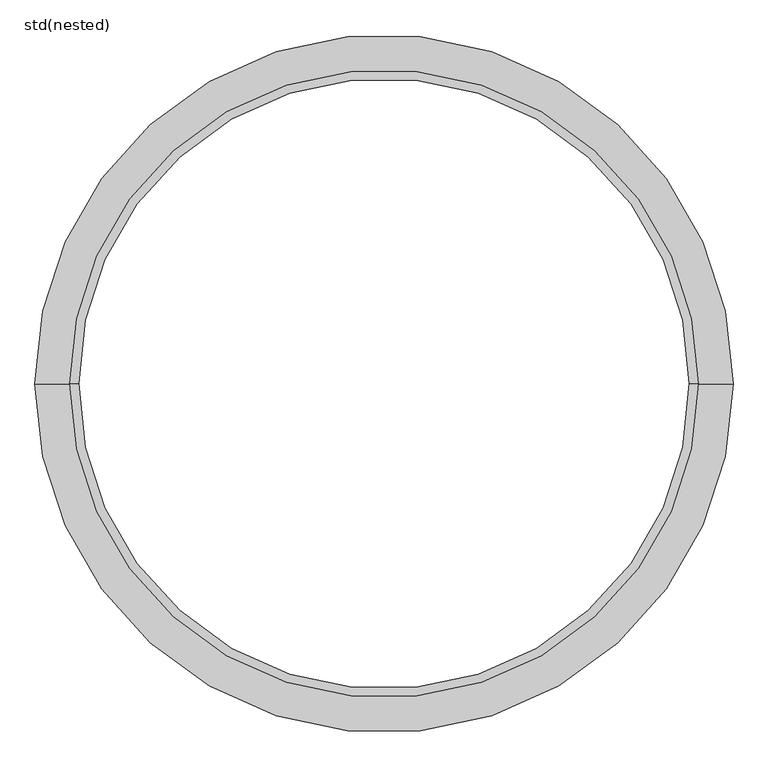
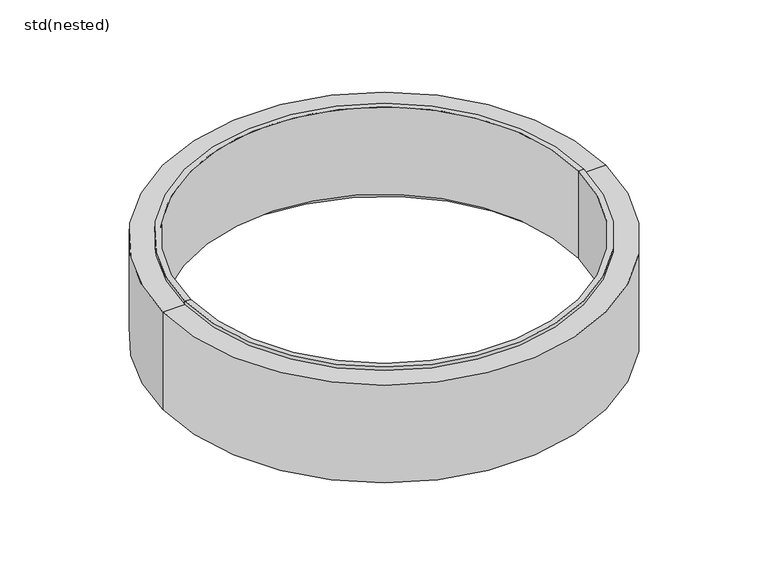
"""IFC4 building model written with IfcOpenShell, lengths in millimetres: unitary equipment geometry, std(nested)."""

from ifc_helpers import new_model, si_unit, frame, origin, place, context, project, spatial, polyline, circle_curve, source, transform, mapped, element, save
from ifc_brep_helpers import plane_surface, cylinder_surface, revolved_surface, advanced_brep


def std_nested_184108af(model_context):
    return source(origin(), model_context, "Body", "AdvancedBrep", [
        advanced_brep(
        [(1050.0, 0.0, -980.0), (-1050.0, 0.0, -980.0), (-1050.0, 0.0, -1480.0), (1050.0, 0.0, -1480.0), (1080.0, 0.0, -980.0), (-1080.0, 0.0, -980.0), (1080.0, 0.0, -1000.0), (-1080.0, 0.0, -1000.0), (1200.0, 0.0, -1000.0), (-1200.0, 0.0, -1000.0), (1200.0, 0.0, -1560.0), (-1200.0, 0.0, -1560.0), (1145.0, 0.0, -1560.0), (-1145.0, 0.0, -1560.0), (1145.0, 0.0, -1480.0), (-1145.0, 0.0, -1480.0)],
        [
            (0, 1, circle_curve(frame((0.0, 0.0, -980.0), z_axis=(0.0, 0.0, 1.0), x_axis=(-1.0, 0.0, 0.0)), 1050.0)),
            (1, 2),
            (2, 3, circle_curve(frame((0.0, 0.0, -1480.0), z_axis=(0.0, 0.0, -1.0), x_axis=(-1.0, 0.0, 0.0)), 1050.0)),
            (3, 0),
            (1, 0, circle_curve(frame((0.0, 0.0, -980.0), z_axis=(0.0, 0.0, 1.0), x_axis=(-1.0, 0.0, 0.0)), 1050.0)),
            (3, 2, circle_curve(frame((0.0, 0.0, -1480.0), z_axis=(0.0, 0.0, -1.0), x_axis=(-1.0, 0.0, 0.0)), 1050.0)),
            (4, 5, circle_curve(frame((0.0, 0.0, -980.0), z_axis=(0.0, 0.0, 1.0), x_axis=(-1.0, 0.0, 0.0)), 1080.0)),
            (5, 1),
            (0, 4),
            (5, 4, circle_curve(frame((0.0, 0.0, -980.0), z_axis=(0.0, 0.0, 1.0), x_axis=(-1.0, 0.0, 0.0)), 1080.0)),
            (6, 7, circle_curve(frame((0.0, 0.0, -1000.0), z_axis=(0.0, 0.0, 1.0), x_axis=(-1.0, 0.0, 0.0)), 1080.0)),
            (7, 5),
            (4, 6),
            (7, 6, circle_curve(frame((0.0, 0.0, -1000.0), z_axis=(0.0, 0.0, 1.0), x_axis=(-1.0, 0.0, 0.0)), 1080.0)),
            (8, 9, circle_curve(frame((0.0, 0.0, -1000.0), z_axis=(0.0, 0.0, 1.0), x_axis=(-1.0, 0.0, 0.0)), 1200.0)),
            (9, 7),
            (6, 8),
            (9, 8, circle_curve(frame((0.0, 0.0, -1000.0), z_axis=(0.0, 0.0, 1.0), x_axis=(-1.0, 0.0, 0.0)), 1200.0)),
            (10, 11, circle_curve(frame((0.0, 0.0, -1560.0), z_axis=(0.0, 0.0, 1.0), x_axis=(-1.0, 0.0, 0.0)), 1200.0)),
            (11, 9),
            (8, 10),
            (11, 10, circle_curve(frame((0.0, 0.0, -1560.0), z_axis=(0.0, 0.0, 1.0), x_axis=(-1.0, 0.0, 0.0)), 1200.0)),
            (12, 13, circle_curve(frame((0.0, 0.0, -1560.0), z_axis=(0.0, 0.0, 1.0), x_axis=(-1.0, 0.0, 0.0)), 1145.0)),
            (13, 11),
            (10, 12),
            (13, 12, circle_curve(frame((0.0, 0.0, -1560.0), z_axis=(0.0, 0.0, 1.0), x_axis=(-1.0, 0.0, 0.0)), 1145.0)),
            (14, 15, circle_curve(frame((0.0, 0.0, -1480.0), z_axis=(0.0, 0.0, 1.0), x_axis=(-1.0, 0.0, 0.0)), 1145.0)),
            (15, 13),
            (12, 14),
            (15, 14, circle_curve(frame((0.0, 0.0, -1480.0), z_axis=(0.0, 0.0, 1.0), x_axis=(-1.0, 0.0, 0.0)), 1145.0)),
            (2, 15),
            (14, 3),
        ],
        [
            revolved_surface(polyline([(-1050.0, 0.0, -1480.0), (-1050.0, 0.0, -980.0)]), (0.0, 0.0, 2590.0), (0.0, 0.0, -1.0)),
            plane_surface(frame((0.0, 0.0, -980.0), z_axis=(0.0, 0.0, 1.0), x_axis=(-1.0, 0.0, 0.0))),
            cylinder_surface(frame((0.0, 0.0, 2590.0), z_axis=(0.0, 0.0, -1.0), x_axis=(-1.0, 0.0, 0.0)), 1080.0),
            plane_surface(frame((0.0, 0.0, -1000.0), z_axis=(0.0, 0.0, 1.0), x_axis=(-1.0, 0.0, 0.0))),
            cylinder_surface(frame((0.0, 0.0, 2590.0), z_axis=(0.0, 0.0, -1.0), x_axis=(-1.0, 0.0, 0.0)), 1200.0),
            plane_surface(frame((0.0, 0.0, -1560.0), z_axis=(0.0, 0.0, -1.0), x_axis=(-1.0, 0.0, 0.0))),
            revolved_surface(polyline([(-1145.0, 0.0, -1560.0), (-1145.0, 0.0, -1480.0)]), (0.0, 0.0, 2590.0), (0.0, 0.0, -1.0)),
            plane_surface(frame((0.0, 0.0, -1480.0), z_axis=(0.0, 0.0, -1.0), x_axis=(-1.0, 0.0, 0.0))),
        ],
        [
            (0, [[1, 2, 3, 4]]),
            (0, [[5, -4, 6, -2]]),
            (1, [[7, 8, -1, 9]]),
            (1, [[10, -9, -5, -8]]),
            (2, [[11, 12, -7, 13]]),
            (2, [[14, -13, -10, -12]]),
            (3, [[15, 16, -11, 17]]),
            (3, [[18, -17, -14, -16]]),
            (4, [[19, 20, -15, 21]]),
            (4, [[22, -21, -18, -20]]),
            (5, [[23, 24, -19, 25]]),
            (5, [[26, -25, -22, -24]]),
            (6, [[27, 28, -23, 29]]),
            (6, [[30, -29, -26, -28]]),
            (7, [[-3, 31, -27, 32]]),
            (7, [[-6, -32, -30, -31]]),
        ],
    ),
    ])


if __name__ == "__main__":
    model = new_model("IFC4")
    model_context = context("Model", 3, world=origin())
    ifc_project = project(units=[si_unit("LENGTHUNIT", "METRE", prefix="MILLI")], contexts=[model_context])
    site = spatial("IfcSite", under=ifc_project)
    building = spatial("IfcBuilding", under=site)
    placement = place(None, origin())
    std_nested_shape = std_nested_184108af(model_context)
    element("IfcUnitaryEquipment", 1, ObjectType="std(nested)", at=placement, inside=building, context=model_context, shape_type="MappedRepresentation", body=[
        mapped(std_nested_shape, transform((0.0, 0.0, 0.0), x_axis=(1.0, 0.0, 0.0), y_axis=(0.0, 1.0, 0.0), z_axis=(0.0, 0.0, 1.0))),
    ])
    save(model, "model.ifc")
